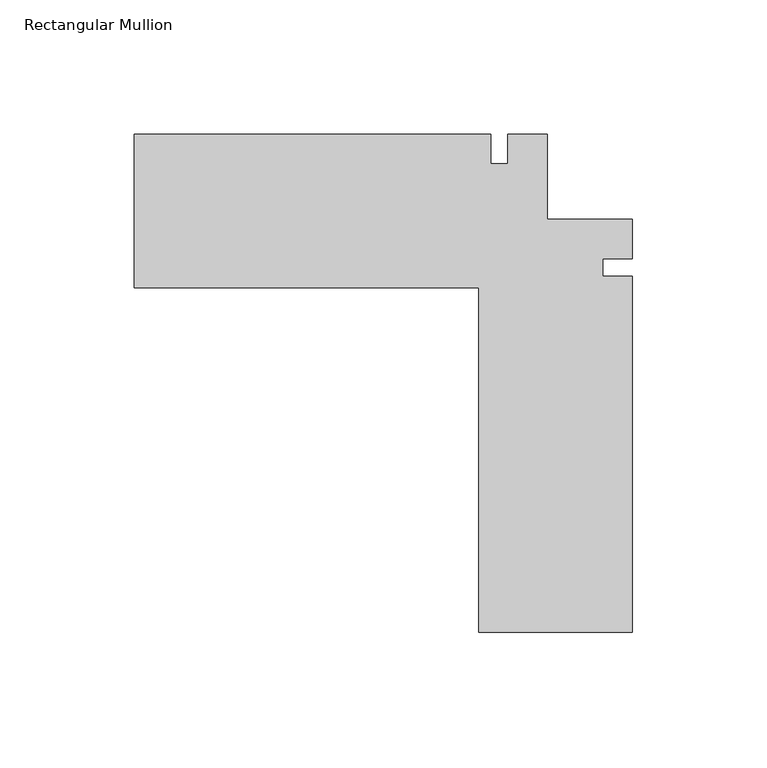
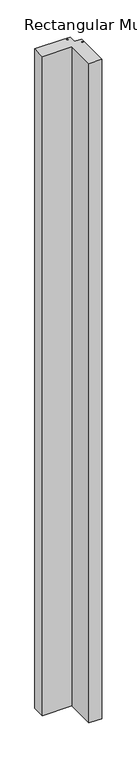
"""IFC4 building model written with IfcOpenShell, lengths in millimetres: member geometry, Rectangular Mullion."""

from ifc_helpers import new_model, si_unit, frame, origin, place, context, project, spatial, polyline, outline, extrude, source, transform, mapped, element, save


def rectangular_mullion_67acf2bb(model_context):
    return source(origin(), model_context, "Body", "SweptSolid", [
        extrude(outline(polyline([(-185.7248, -28.6392254), (-185.7248, 28.6392254), (-52.88407, 28.6392254), (-52.88407, 17.5876202), (-46.5277799, 17.5876202), (-46.5277799, 28.6392254), (-31.75, 28.6392254), (-31.75, -3.1107746), (0.0, -3.1107746), (0.0, -17.8932098), (-11.0516051, -17.8932098), (-11.0516051, -24.2922442), (0.0, -24.2922442), (0.0, -157.0855746), (-57.2784507, -157.0855746), (-57.2784507, -28.6392254), (-185.7248, -28.6392254)])), frame((0.0, 0.0, -3048.0), z_axis=(0.0, 0.0, 1.0), x_axis=(1.0, 0.0, 0.0)), (0.0, 0.0, 1.0), 3048.0),
    ])


if __name__ == "__main__":
    model = new_model("IFC4")
    model_context = context("Model", 3, world=origin())
    ifc_project = project(units=[si_unit("LENGTHUNIT", "METRE", prefix="MILLI")], contexts=[model_context])
    site = spatial("IfcSite", under=ifc_project)
    building = spatial("IfcBuilding", under=site)
    placement = place(None, origin())
    rectangular_mullion_shape = rectangular_mullion_67acf2bb(model_context)
    element("IfcMember", 1, ObjectType="Rectangular Mullion", at=placement, inside=building, context=model_context, shape_type="MappedRepresentation", body=[
        mapped(rectangular_mullion_shape, transform((0.0, 0.0, 0.0), x_axis=(1.0, 0.0, 0.0), y_axis=(0.0, 1.0, 0.0), z_axis=(0.0, 0.0, 1.0))),
    ])
    save(model, "model.ifc")
